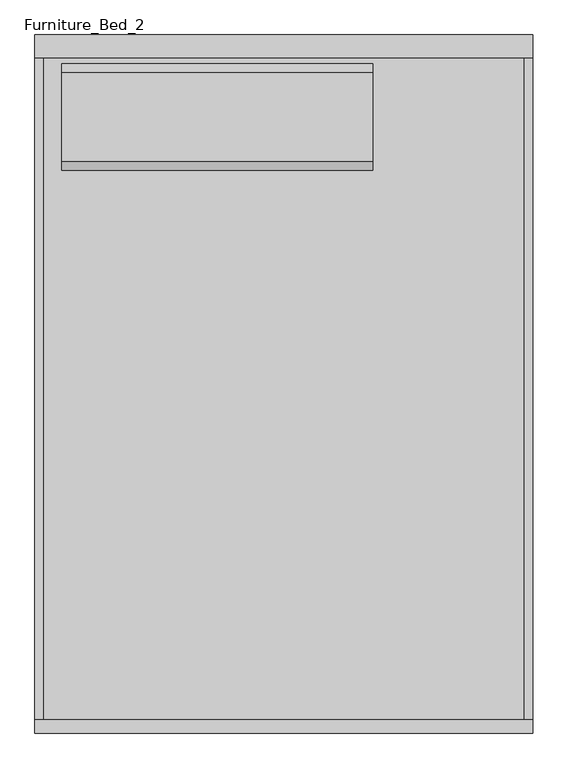
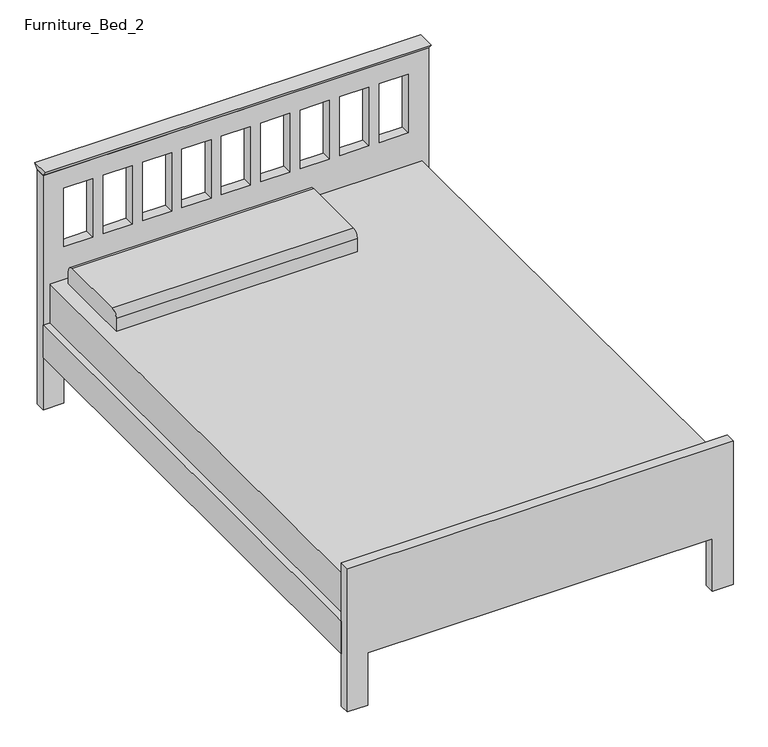
"""IFC4 building model written with IfcOpenShell, lengths in millimetres: furniture geometry, Furniture_Bed_2."""

from ifc_helpers import new_model, si_unit, point, frame, frame_2d, origin, place, context, project, spatial, polyline, circle_curve, trimmed, segment, composite_curve, outline, extrude, source, transform, mapped, element, save


def furniture_bed_2_d56b303b(model_context):
    return source(origin(), model_context, "Body", "SweptSolid", [
        extrude(outline(polyline([(914.4, 692.4168067), (914.4, -730.0365546), (0.0, -730.0365546), (0.0, -654.05), (203.2, -654.05), (203.2, 234.95), (0.0, 234.95), (0.0, 692.4168067), (914.4, 692.4168067)]), holes=[polyline([(838.2, -546.8055556), (609.6, -546.8055556), (609.6, -654.05), (838.2, -654.05), (838.2, -546.8055556)]), polyline([(838.2, -401.4611111), (609.6, -401.4611111), (609.6, -508.7055556), (838.2, -508.7055556), (838.2, -401.4611111)]), polyline([(838.2, -256.1166667), (609.6, -256.1166667), (609.6, -363.3611111), (838.2, -363.3611111), (838.2, -256.1166667)]), polyline([(838.2, -110.7722222), (609.6, -110.7722222), (609.6, -218.0166667), (838.2, -218.0166667), (838.2, -110.7722222)]), polyline([(838.2, 179.9166667), (609.6, 179.9166667), (609.6, 72.6722222), (838.2, 72.6722222), (838.2, 179.9166667)]), polyline([(838.2, 325.2611111), (609.6, 325.2611111), (609.6, 218.0166667), (838.2, 218.0166667), (838.2, 325.2611111)]), polyline([(838.2, 470.6055556), (609.6, 470.6055556), (609.6, 363.3611111), (838.2, 363.3611111), (838.2, 470.6055556)]), polyline([(838.2, 615.95), (609.6, 615.95), (609.6, 508.7055556), (838.2, 508.7055556), (838.2, 615.95)]), polyline([(838.2, 34.5722222), (609.6, 34.5722222), (609.6, -72.6722222), (838.2, -72.6722222), (838.2, 34.5722222)])]), frame((0.0, -38.1, 0.0), z_axis=(0.0, 1.0, 0.0), x_axis=(0.0, 0.0, 1.0)), (0.0, 0.0, 1.0), 38.1),
        extrude(outline(polyline([(0.0, -654.05), (203.2, -654.05), (203.2, 615.95), (0.0, 615.95), (0.0, 692.15), (558.8, 692.15), (558.8, -730.25), (0.0, -730.25), (0.0, -654.05)])), frame((0.0, -1981.2, 0.0), z_axis=(0.0, 1.0, 0.0), x_axis=(0.0, 0.0, 1.0)), (0.0, 0.0, 1.0), 38.1),
        extrude(outline(polyline([(-730.25, -1943.1), (-730.25, -38.1), (-704.85, -38.1), (-704.85, -1943.1), (-730.25, -1943.1)])), frame((0.0, 0.0, 203.5755296), z_axis=(0.0, 0.0, 1.0), x_axis=(1.0, 0.0, 0.0)), (0.0, 0.0, 1.0), 127.0),
        extrude(outline(polyline([(666.75, -1943.1), (666.75, -38.1), (692.15, -38.1), (692.15, -1943.1), (666.75, -1943.1)])), frame((0.0, 0.0, 203.0994861), z_axis=(0.0, 0.0, 1.0), x_axis=(1.0, 0.0, 0.0)), (0.0, 0.0, 1.0), 127.0),
        extrude(outline(polyline([(666.75, -38.1), (666.75, -1943.1), (-704.85, -1943.1), (-704.85, -38.1), (666.75, -38.1)])), frame((0.0, 0.0, 228.6), z_axis=(0.0, 0.0, 1.0), x_axis=(1.0, 0.0, 0.0)), (0.0, 0.0, 1.0), 254.0),
        extrude(outline(composite_curve([segment(polyline([(-373.2486637, 482.6), (-373.2486637, 533.4)]), True, "CONTINUOUS"), segment(trimmed(circle_curve(frame_2d((-347.8486637, 533.4)), 25.4), [point((-373.2486637, 533.4))], [point((-347.8486637, 558.8))], False, "CARTESIAN"), True, "CONTINUOUS"), segment(polyline([(-347.8486637, 558.8), (-93.8486637, 558.8)]), True, "CONTINUOUS"), segment(trimmed(circle_curve(frame_2d((-93.8486637, 533.4)), 25.4), [point((-93.8486637, 558.8))], [point((-68.4486637, 533.4))], False, "CARTESIAN"), True, "CONTINUOUS"), segment(polyline([(-68.4486637, 533.4), (-68.4486637, 482.6), (-373.2486637, 482.6)]), True, "CONTINUOUS")], self_intersect=False)), frame((-654.05, 0.0, 0.0), z_axis=(1.0, 0.0, 0.0), x_axis=(0.0, 1.0, 0.0)), (0.0, 0.0, 1.0), 889.0),
        extrude(outline(polyline([(-38.1, 914.4), (-51.9545455, 933.45), (13.8545455, 933.45), (0.0, 914.4), (-38.1, 914.4)])), frame((-730.0365546, 0.0, 0.0), z_axis=(1.0, 0.0, 0.0), x_axis=(0.0, 1.0, 0.0)), (0.0, 0.0, 1.0), 1422.4533613),
    ])


if __name__ == "__main__":
    model = new_model("IFC4")
    model_context = context("Model", 3, world=origin())
    ifc_project = project(units=[si_unit("LENGTHUNIT", "METRE", prefix="MILLI")], contexts=[model_context])
    site = spatial("IfcSite", under=ifc_project)
    building = spatial("IfcBuilding", under=site)
    placement = place(None, origin())
    furniture_bed_2_shape = furniture_bed_2_d56b303b(model_context)
    element("IfcFurniture", 1, ObjectType="Furniture_Bed_2", at=placement, inside=building, context=model_context, shape_type="MappedRepresentation", body=[
        mapped(furniture_bed_2_shape, transform((0.0, 0.0, 0.0), x_axis=(1.0, 0.0, 0.0), y_axis=(0.0, 1.0, 0.0), z_axis=(0.0, 0.0, 1.0))),
    ])
    save(model, "model.ifc")
